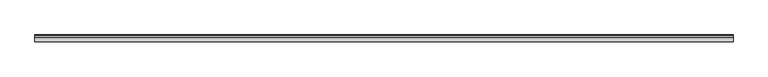
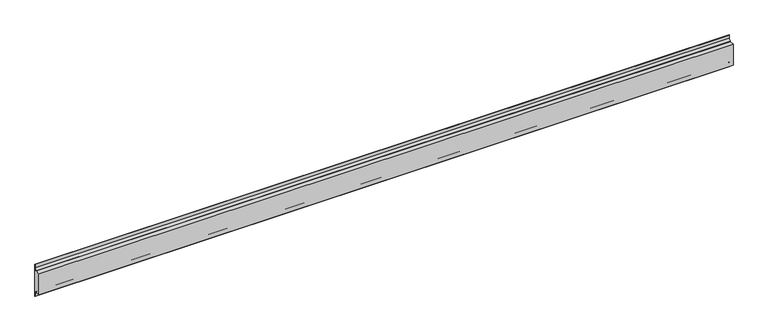
"""IFC4 building model written with IfcOpenShell, lengths in millimetres: proxy geometry."""

import ifcopenshell
import ifcopenshell.guid

model = None  # the IFC model being written
_history = None  # IfcOwnerHistory: only IFC2X3 demands one
_inside = {}  # id of a spatial element -> (the spatial element, [elements in it])
_under = {}  # id of a project, library or spatial element -> (it, [spatial elements below it])
_declared = {}  # id of a project -> (the project, [libraries it declares])
_typed = {}  # id of a type object -> (the type object, [elements of that type])
_made_of = {}  # id of a material, layer set ... -> (it, [elements and type objects made of it])


def new_model(schema):
    """Start an empty IFC model of exactly this schema.

    Asked for "IFC4X3", IfcOpenShell would pick the latest addendum, in which some entities
    have other attributes; the version numbers below select the first issue.
    IFC2X3 requires an IfcOwnerHistory on every rooted entity: one is made here for all.
    """
    global model, _history
    if schema == "IFC4X3":
        model = ifcopenshell.file(schema_version=(4, 3, 0, 0))
    else:
        model = ifcopenshell.file(schema=schema)
    _inside.clear()
    _under.clear()
    _declared.clear()
    _typed.clear()
    _made_of.clear()
    _history = None
    if model.schema == "IFC2X3":
        org = make("IfcOrganization", Name="unknown")
        user = make(
            "IfcPersonAndOrganization",
            ThePerson=make("IfcPerson", FamilyName="unknown"),
            TheOrganization=org,
        )
        app = make(
            "IfcApplication",
            ApplicationDeveloper=org,
            Version="unknown",
            ApplicationFullName="unknown",
            ApplicationIdentifier="unknown",
        )
        _history = make(
            "IfcOwnerHistory",
            OwningUser=user,
            OwningApplication=app,
            ChangeAction="ADDED",
            CreationDate=0,
        )
    return model


def make(cls, **values):
    """One entity of the class cls with the attributes given. An attribute that is None is left unset."""
    return model.create_entity(
        cls, **{name: value for name, value in values.items() if value is not None}
    )


def rooted(cls, **values):
    """An entity with a GlobalId (a new one), such as an element, a storey or a relation."""
    return make(cls, GlobalId=ifcopenshell.guid.new(), OwnerHistory=_history, **values)


def si_unit(unit_type, name, prefix=None):
    """IfcSIUnit, for example si_unit("LENGTHUNIT", "METRE", prefix="MILLI")."""
    return make("IfcSIUnit", UnitType=unit_type, Prefix=prefix, Name=name)


def assignment(units):
    """IfcUnitAssignment: the units of a project."""
    return None if units is None else make("IfcUnitAssignment", Units=units)


def point(xyz):
    """IfcCartesianPoint."""
    return None if xyz is None else make("IfcCartesianPoint", Coordinates=xyz)


def direction(xyz):
    """IfcDirection."""
    return None if xyz is None else make("IfcDirection", DirectionRatios=xyz)


def frame(location, z_axis=None, x_axis=None):
    """IfcAxis2Placement3D, a coordinate frame: its origin and axes. An axis left out is left unset."""
    return make(
        "IfcAxis2Placement3D",
        Location=point(location),
        Axis=direction(z_axis),
        RefDirection=direction(x_axis),
    )


def frame_2d(location, x_axis=None):
    """IfcAxis2Placement2D, a coordinate frame in the plane: its origin and x axis."""
    return make(
        "IfcAxis2Placement2D", Location=point(location), RefDirection=direction(x_axis)
    )


def origin():
    """The frame at (0, 0, 0) with its axes left unset."""
    return frame((0.0, 0.0, 0.0))


def place(relative_to, where):
    """IfcLocalPlacement: puts the frame where relative to a parent placement (None: the world)."""
    return make(
        "IfcLocalPlacement", PlacementRelTo=relative_to, RelativePlacement=where
    )


def context(
    kind, dimensions, precision=None, world=None, true_north=None, identifier=None
):
    """IfcGeometricRepresentationContext, for example the 3D "Model" context."""
    return make(
        "IfcGeometricRepresentationContext",
        ContextIdentifier=identifier,
        ContextType=kind,
        CoordinateSpaceDimension=dimensions,
        Precision=precision,
        WorldCoordinateSystem=world,
        TrueNorth=true_north,
    )


def project(units=None, contexts=None):
    """IfcProject with its units and contexts."""
    return rooted(
        "IfcProject",
        Name="project",
        RepresentationContexts=contexts,
        UnitsInContext=assignment(units),
    )


def spatial(cls, under=None, at=None, **own):
    """A site, building, storey or space (cls), placed at a placement, below another one or the project."""
    s = rooted(cls, ObjectPlacement=at, **own)
    if under is not None:
        _under.setdefault(under.id(), (under, []))[1].append(s)
    return s


def polyline(points):
    """IfcPolyline through the points."""
    return make("IfcPolyline", Points=[point(p) for p in points])


def circle_curve(where, radius):
    """IfcCircle in the frame where."""
    return make("IfcCircle", Position=where, Radius=radius)


def trimmed(basis, trim1, trim2, sense, master):
    """IfcTrimmedCurve: the piece of a basis curve between two trims."""
    return make(
        "IfcTrimmedCurve",
        BasisCurve=basis,
        Trim1=trim1,
        Trim2=trim2,
        SenseAgreement=sense,
        MasterRepresentation=master,
    )


def segment(curve, same_sense, transition):
    """IfcCompositeCurveSegment."""
    return make(
        "IfcCompositeCurveSegment",
        Transition=transition,
        SameSense=same_sense,
        ParentCurve=curve,
    )


def composite_curve(segments, self_intersect=None):
    """IfcCompositeCurve: segments joined end to end."""
    return make("IfcCompositeCurve", Segments=segments, SelfIntersect=self_intersect)


def outline(outer, holes=None, kind="AREA"):
    """IfcArbitraryClosedProfileDef: a profile drawn as a closed curve; with holes, ...WithVoids."""
    if holes is None:
        return make("IfcArbitraryClosedProfileDef", ProfileType=kind, OuterCurve=outer)
    return make(
        "IfcArbitraryProfileDefWithVoids",
        ProfileType=kind,
        OuterCurve=outer,
        InnerCurves=holes,
    )


def extrude(swept, where, along, depth):
    """IfcExtrudedAreaSolid: the profile swept, set in the frame where, extruded along a direction by depth."""
    return make(
        "IfcExtrudedAreaSolid",
        SweptArea=swept,
        Position=where,
        ExtrudedDirection=direction(along),
        Depth=depth,
    )


def shape(context_of_items, identifier, shape_type, items):
    """IfcShapeRepresentation: the items that make up one representation, for example the "Body"."""
    return make(
        "IfcShapeRepresentation",
        ContextOfItems=context_of_items,
        RepresentationIdentifier=identifier,
        RepresentationType=shape_type,
        Items=items,
    )


def source(mapping_origin, context_of_items, identifier, shape_type, items):
    """IfcRepresentationMap: a shape defined once, which mapped items show again and again."""
    return make(
        "IfcRepresentationMap",
        MappingOrigin=mapping_origin,
        MappedRepresentation=shape(context_of_items, identifier, shape_type, items),
    )


def transform(
    local_origin,
    x_axis=None,
    y_axis=None,
    z_axis=None,
    scale=None,
    scale2=None,
    scale3=None,
    uniform=True,
):
    """IfcCartesianTransformationOperator3D, or its non-uniform kind. x_axis, y_axis, z_axis: its Axis1, 2, 3."""
    if uniform:
        return make(
            "IfcCartesianTransformationOperator3D",
            Axis1=direction(x_axis),
            Axis2=direction(y_axis),
            LocalOrigin=point(local_origin),
            Scale=scale,
            Axis3=direction(z_axis),
        )
    return make(
        "IfcCartesianTransformationOperator3DnonUniform",
        Axis1=direction(x_axis),
        Axis2=direction(y_axis),
        LocalOrigin=point(local_origin),
        Scale=scale,
        Axis3=direction(z_axis),
        Scale2=scale2,
        Scale3=scale3,
    )


def mapped(mapping_source, mapping_target):
    """IfcMappedItem: shows the shape of a source again, moved by a transform."""
    return make(
        "IfcMappedItem", MappingSource=mapping_source, MappingTarget=mapping_target
    )


def made_of(thing, what):
    """Note that an element or type object is made of a material, layer set ...; save() writes the relation."""
    if what is not None:
        _made_of.setdefault(what.id(), (what, []))[1].append(thing)
    return thing


def element(
    cls,
    number,
    at=None,
    inside=None,
    cuts=None,
    type_object=None,
    material=None,
    context=None,
    identifier="Body",
    shape_type=None,
    held_by="IfcProductDefinitionShape",
    body=None,
    shapes=None,
    **own,
):
    """One element of the class cls, such as IfcWall. Its Tag is "e" and its number.

    at: its placement. inside: the storey or other place that contains it. cuts: it is an
    opening in that element (IfcRelVoidsElement). A single representation is given by context,
    identifier, shape_type and body (its items); several are given by shapes. held_by: the class
    of the entity that holds the representations. save() writes the other relations.
    """
    e = rooted(cls, Tag="e%d" % number, ObjectPlacement=at, **own)
    if body is not None:
        shapes = [shape(context, identifier, shape_type, body)]
    if shapes is not None:
        e.Representation = make(held_by, Representations=shapes)
    if inside is not None:
        _inside.setdefault(inside.id(), (inside, []))[1].append(e)
    if cuts is not None:
        rooted(
            "IfcRelVoidsElement", RelatingBuildingElement=cuts, RelatedOpeningElement=e
        )
    if type_object is not None:
        _typed.setdefault(type_object.id(), (type_object, []))[1].append(e)
    return made_of(e, material)


def aggregate(whole, parts):
    """IfcRelAggregates: a whole, such as a stair, and the parts it consists of."""
    return rooted("IfcRelAggregates", RelatingObject=whole, RelatedObjects=parts)


def save(model, path):
    """Write the relations noted so far, then the file.

    IfcRelAggregates (storeys below a building ...), IfcRelContainedInSpatialStructure (elements
    in a storey), IfcRelDefinesByType, IfcRelAssociatesMaterial and IfcRelDeclares: one each for
    every whole, place, type object, material and project.
    """
    for whole, parts in _under.values():
        aggregate(whole, parts)
    for where, things in _inside.values():
        rooted(
            "IfcRelContainedInSpatialStructure",
            RelatedElements=things,
            RelatingStructure=where,
        )
    for kind, things in _typed.values():
        rooted("IfcRelDefinesByType", RelatedObjects=things, RelatingType=kind)
    for what, things in _made_of.values():
        rooted("IfcRelAssociatesMaterial", RelatedObjects=things, RelatingMaterial=what)
    for by, libraries in _declared.values():
        rooted("IfcRelDeclares", RelatingContext=by, RelatedDefinitions=libraries)
    model.write(path)


def plane_surface(at):
    """IfcPlane: the flat surface through the origin of the frame at, square to its z axis."""
    return make("IfcPlane", Position=at)


def revolved_surface(curve, axis_point, axis_direction):
    """IfcSurfaceOfRevolution: the curve turned about the line through axis_point along axis_direction."""
    return make(
        "IfcSurfaceOfRevolution",
        SweptCurve=make("IfcArbitraryOpenProfileDef", ProfileType="CURVE", Curve=curve),
        AxisPosition=make("IfcAxis1Placement", Location=point(axis_point), Axis=direction(axis_direction)),
    )


def advanced_brep(points, edges, surfaces, faces):
    """IfcAdvancedBrep: a solid bounded by faces that lie on surfaces and meet in shared edges.

    An edge is (start, end): straight between two places in points (the first is 0);
    or (start, end, curve); or (start, end, curve, False) where it runs against its curve.
    A face is (place in surfaces, loops), or (place, loops, False) where it looks against
    its surface's normal. A loop lists edges by number (the first is 1), with a minus sign
    where the edge is run from its end to its start. The first loop is the outer one.
    """
    corners = [point(p) for p in points]
    vertices = [make("IfcVertexPoint", VertexGeometry=c) for c in corners]
    made = []
    for start, end, *more in edges:
        made.append(
            make(
                "IfcEdgeCurve",
                EdgeStart=vertices[start],
                EdgeEnd=vertices[end],
                EdgeGeometry=more[0] if more else make("IfcPolyline", Points=[corners[start], corners[end]]),
                SameSense=more[1] if len(more) > 1 else True,
            )
        )
    hull = []
    for where, loops, *sense in faces:
        bounds = []
        for j, loop in enumerate(loops):
            ring = [make("IfcOrientedEdge", EdgeElement=made[abs(k) - 1], Orientation=k > 0) for k in loop]
            bounds.append(
                make(
                    "IfcFaceOuterBound" if j == 0 else "IfcFaceBound",
                    Bound=make("IfcEdgeLoop", EdgeList=ring),
                    Orientation=True,
                )
            )
        hull.append(make("IfcAdvancedFace", Bounds=bounds, FaceSurface=surfaces[where], SameSense=sense[0] if sense else True))
    return make("IfcAdvancedBrep", Outer=make("IfcClosedShell", CfsFaces=hull))


def generic_models_1a55b8a9(model_context):
    return source(origin(), model_context, "Body", "SolidModel", [
        advanced_brep(
        [(1587.3395579, -34575.8487618, 1425.3599487), (1587.3395579, -34575.8487618, 1502.4818394), (1587.3395579, -34560.0143841, 1502.4818394), (1587.3395579, -34552.1902106, 1510.3060129), (1587.3395579, -34552.1889994, 1417.5357751), (1587.3395579, -34560.0143841, 1425.3599487), (3987.3395579, -34575.8487618, 1425.3599487), (3987.3395579, -34560.0143841, 1425.3599487), (3987.3395579, -34552.1902106, 1417.5357751), (3987.3395579, -34552.1889994, 1510.3060129), (3987.3395579, -34560.0143841, 1502.4818394), (3987.3395579, -34575.8487618, 1502.4818394)],
        [
            (0, 1),
            (1, 2),
            (2, 3, circle_curve(frame((1587.3395579, -34560.0143841, 1510.3060129), z_axis=(1.0, 0.0, 0.0), x_axis=(0.0, 1.0, 0.0)), 7.8241735)),
            (3, 4),
            (4, 5, circle_curve(frame((1587.3395579, -34560.0143841, 1417.5357751), z_axis=(1.0, 0.0, 0.0), x_axis=(0.0, 1.0, 0.0)), 7.8241735)),
            (5, 0),
            (6, 7),
            (7, 8, circle_curve(frame((3987.3395579, -34560.0143841, 1417.5357751), z_axis=(-1.0, 0.0, 0.0), x_axis=(0.0, 1.0, 0.0)), 7.8241735)),
            (8, 9),
            (9, 10, circle_curve(frame((3987.3395579, -34560.0143841, 1510.3060129), z_axis=(-1.0, 0.0, 0.0), x_axis=(0.0, 1.0, 0.0)), 7.8241735)),
            (10, 11),
            (11, 6),
            (0, 6),
            (11, 1),
            (5, 7),
            (4, 8),
            (2, 10),
            (9, 3),
        ],
        [
            plane_surface(frame((1587.3395579, -34602.1889994, -207.087078), z_axis=(-1.0, 0.0, 0.0), x_axis=(0.0, 0.0, 1.0))),
            plane_surface(frame((3987.3395579, -34602.1889994, -207.087078), z_axis=(1.0, 0.0, 0.0), x_axis=(0.0, 0.0, 1.0))),
            plane_surface(frame((1587.3395579, -34575.8487618, 1425.3599487), z_axis=(0.0, -1.0, 0.0), x_axis=(1.0, 0.0, 0.0))),
            plane_surface(frame((1587.3395579, -34560.0143841, 1425.3599487), z_axis=(0.0, 0.0, -1.0), x_axis=(1.0, 0.0, 0.0))),
            revolved_surface(polyline([(3987.3395579, -34552.190210600005, 1417.5357751), (1587.3395579, -34552.190210600005, 1417.5357751)]), (1587.3395579, -34560.0143841, 1417.5357751), (1.0, 0.0, 0.0)),
            revolved_surface(polyline([(3987.3395579, -34552.190210600005, 1510.3060129), (1587.3395579, -34552.190210600005, 1510.3060129)]), (1587.3395579, -34560.0143841, 1510.3060129), (1.0, 0.0, 0.0)),
            plane_surface(frame((1587.3395579, -34575.8487618, 1502.4818394), z_axis=(0.0, 0.0, 1.0), x_axis=(1.0, 0.0, 0.0))),
            plane_surface(frame((1587.3395579, -34552.1889994, 1510.3060129), z_axis=(0.0, 1.0, 0.0), x_axis=(1.0, 0.0, 0.0))),
        ],
        [
            (0, [[1, 2, 3, 4, 5, 6]]),
            (1, [[7, 8, 9, 10, 11, 12]]),
            (2, [[-1, 13, -12, 14]]),
            (3, [[-6, 15, -7, -13]]),
            (4, [[-5, 16, -8, -15]]),
            (5, [[-3, 17, -10, 18]]),
            (6, [[-2, -14, -11, -17]]),
            (7, [[-4, -18, -9, -16]]),
        ],
    ),
        extrude(outline(composite_curve([segment(trimmed(circle_curve(frame_2d((-34560.0143841, 1510.307224)), 7.8253847), [point((-34552.1889994, 1510.307224))], [point((-34560.0143841, 1502.4818394))], False, "CARTESIAN"), True, "CONTINUOUS"), segment(polyline([(-34560.0143841, 1502.4818394), (-34560.0143841, 1503.4818394)]), True, "CONTINUOUS"), segment(trimmed(circle_curve(frame_2d((-34560.0143841, 1510.307224)), 6.8253847), [point((-34560.0143841, 1503.4818394))], [point((-34553.1889994, 1510.307224))], True, "CARTESIAN"), True, "CONTINUOUS"), segment(polyline([(-34553.1889994, 1510.307224), (-34553.1889994, 1522.0355396), (-34552.1889994, 1522.0355396), (-34552.1889994, 1510.307224)]), True, "CONTINUOUS")], self_intersect=False)), frame((1587.3395579, 0.0, 0.0), z_axis=(1.0, 0.0, 0.0), x_axis=(0.0, 1.0, 0.0)), (0.0, 0.0, 1.0), 2400.0),
        extrude(outline(composite_curve([segment(polyline([(-34552.1889994, 1417.534564), (-34552.1889994, 1405.8062484), (-34553.1889994, 1405.8062484), (-34553.1889994, 1417.534564)]), True, "CONTINUOUS"), segment(trimmed(circle_curve(frame_2d((-34560.0143841, 1417.534564)), 6.8253847), [point((-34553.1889994, 1417.534564))], [point((-34560.0143841, 1424.3599487))], True, "CARTESIAN"), True, "CONTINUOUS"), segment(polyline([(-34560.0143841, 1424.3599487), (-34560.0143841, 1425.3599487)]), True, "CONTINUOUS"), segment(trimmed(circle_curve(frame_2d((-34560.0143841, 1417.534564)), 7.8253847), [point((-34560.0143841, 1425.3599487))], [point((-34552.1889994, 1417.534564))], False, "CARTESIAN"), True, "CONTINUOUS")], self_intersect=False)), frame((1587.3395579, 0.0, 0.0), z_axis=(1.0, 0.0, 0.0), x_axis=(0.0, 1.0, 0.0)), (0.0, 0.0, 1.0), 2400.0),
    ])


if __name__ == "__main__":
    model = new_model("IFC4")
    model_context = context("Model", 3, world=origin())
    ifc_project = project(units=[si_unit("LENGTHUNIT", "METRE", prefix="MILLI")], contexts=[model_context])
    site = spatial("IfcSite", under=ifc_project)
    building = spatial("IfcBuilding", under=site)
    placement = place(None, origin())
    generic_models_shape = generic_models_1a55b8a9(model_context)
    element("IfcBuildingElementProxy", 1, Name="Generic Models", at=placement, inside=building, context=model_context, shape_type="MappedRepresentation", body=[
        mapped(generic_models_shape, transform((0.0, 0.0, 0.0), x_axis=(1.0, 0.0, 0.0), y_axis=(0.0, 1.0, 0.0), z_axis=(0.0, 0.0, 1.0))),
    ])
    save(model, "model.ifc")
